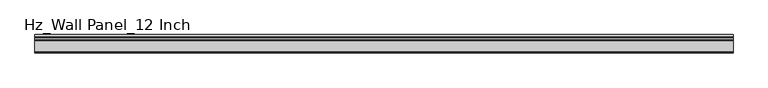
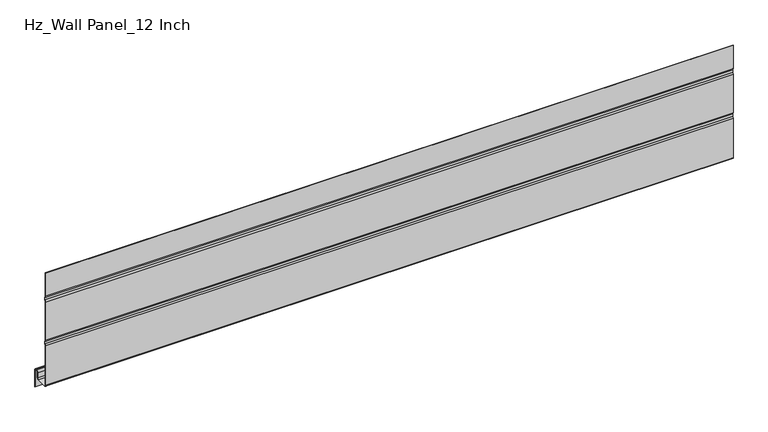
"""IFC4 building model written with IfcOpenShell, lengths in millimetres: plate geometry, Hz_Wall Panel_12 Inch."""

from ifc_helpers import new_model, si_unit, point, frame, frame_2d, origin, place, context, project, spatial, polyline, circle_curve, trimmed, segment, composite_curve, outline, extrude, source, transform, mapped, element, save


def hz_wall_panel_12_inch_7840027d(model_context):
    return source(origin(), model_context, "Body", "SweptSolid", [
        extrude(outline(composite_curve([segment(polyline([(-38.0, 201.4385501), (-38.0, 253.303125), (-37.2, 253.303125), (-37.2, 201.4385501)]), True, "CONTINUOUS"), segment(trimmed(circle_curve(frame_2d((-32.6854733, 201.4385501)), 4.5145267), [point((-37.2, 201.4385501))], [point((-35.70775, 198.084926))], True, "CARTESIAN"), True, "CONTINUOUS"), segment(polyline([(-35.70775, 198.084926), (-35.70775, 192.0925395)]), True, "CONTINUOUS"), segment(trimmed(circle_curve(frame_2d((-32.6854733, 188.7389154)), 4.5145267), [point((-35.70775, 192.0925395))], [point((-37.2, 188.7389154))], True, "CARTESIAN"), True, "CONTINUOUS"), segment(polyline([(-37.2, 188.7389154), (-37.2, 103.6314441)]), True, "CONTINUOUS"), segment(trimmed(circle_curve(frame_2d((-32.6854733, 103.6314441)), 4.5145267), [point((-37.2, 103.6314441))], [point((-35.70775, 100.27782))], True, "CARTESIAN"), True, "CONTINUOUS"), segment(polyline([(-35.70775, 100.27782), (-35.70775, 94.2854335)]), True, "CONTINUOUS"), segment(trimmed(circle_curve(frame_2d((-32.6854733, 90.9318094)), 4.5145267), [point((-35.70775, 94.2854335))], [point((-37.2, 90.9318094))], True, "CARTESIAN"), True, "CONTINUOUS"), segment(polyline([(-37.2, 90.9318094), (-37.2, 3.29311)]), True, "CONTINUOUS"), segment(trimmed(circle_curve(frame_2d((-34.70689, 3.29311)), 2.49311), [point((-37.2, 3.29311))], [point((-34.70689, 0.8))], True, "CARTESIAN"), True, "CONTINUOUS"), segment(polyline([(-34.70689, 0.8), (-12.42347, 0.8)]), True, "CONTINUOUS"), segment(trimmed(circle_curve(frame_2d((-12.42347, 3.175)), 2.375), [point((-12.42347, 0.8))], [point((-10.04847, 3.175))], True, "CARTESIAN"), True, "CONTINUOUS"), segment(polyline([(-10.04847, 3.175), (-10.04847, 14.707235)]), True, "CONTINUOUS"), segment(trimmed(circle_curve(frame_2d((-6.07347, 14.707235)), 3.975), [point((-10.04847, 14.707235))], [point((-6.07347, 18.682235))], False, "CARTESIAN"), True, "CONTINUOUS"), segment(polyline([(-6.07347, 18.682235), (-3.975, 18.682235)]), True, "CONTINUOUS"), segment(trimmed(circle_curve(frame_2d((-3.975, 14.707235)), 3.975), [point((-3.975, 18.682235))], [point((0.0, 14.707235))], False, "CARTESIAN"), True, "CONTINUOUS"), segment(polyline([(0.0, 14.707235), (0.0, -22.480905), (-0.8, -22.480905), (-0.8, 14.707235)]), True, "CONTINUOUS"), segment(trimmed(circle_curve(frame_2d((-3.975, 14.707235)), 3.175), [point((-0.8, 14.707235))], [point((-3.975, 17.882235))], True, "CARTESIAN"), True, "CONTINUOUS"), segment(polyline([(-3.975, 17.882235), (-6.07347, 17.882235)]), True, "CONTINUOUS"), segment(trimmed(circle_curve(frame_2d((-6.07347, 14.707235)), 3.175), [point((-6.07347, 17.882235))], [point((-9.24847, 14.707235))], True, "CARTESIAN"), True, "CONTINUOUS"), segment(polyline([(-9.24847, 14.707235), (-9.24847, 3.175)]), True, "CONTINUOUS"), segment(trimmed(circle_curve(frame_2d((-12.42347, 3.175)), 3.175), [point((-9.24847, 3.175))], [point((-12.42347, 0.0))], False, "CARTESIAN"), True, "CONTINUOUS"), segment(polyline([(-12.42347, 0.0), (-34.70689, 0.0)]), True, "CONTINUOUS"), segment(trimmed(circle_curve(frame_2d((-34.70689, 3.29311)), 3.29311), [point((-34.70689, 0.0))], [point((-38.0, 3.29311))], False, "CARTESIAN"), True, "CONTINUOUS"), segment(polyline([(-38.0, 3.29311), (-38.0, 90.9318094)]), True, "CONTINUOUS"), segment(trimmed(circle_curve(frame_2d((-32.6854733, 90.9318094)), 5.3145267), [point((-38.0, 90.9318094))], [point((-36.50775, 94.6242876))], False, "CARTESIAN"), True, "CONTINUOUS"), segment(polyline([(-36.50775, 94.6242876), (-36.50775, 99.938966)]), True, "CONTINUOUS"), segment(trimmed(circle_curve(frame_2d((-32.6854733, 103.6314441)), 5.3145267), [point((-36.50775, 99.938966))], [point((-38.0, 103.6314441))], False, "CARTESIAN"), True, "CONTINUOUS"), segment(polyline([(-38.0, 103.6314441), (-38.0, 188.7389154)]), True, "CONTINUOUS"), segment(trimmed(circle_curve(frame_2d((-32.6854733, 188.7389154)), 5.3145267), [point((-38.0, 188.7389154))], [point((-36.50775, 192.4313935))], False, "CARTESIAN"), True, "CONTINUOUS"), segment(polyline([(-36.50775, 192.4313935), (-36.50775, 197.746072)]), True, "CONTINUOUS"), segment(trimmed(circle_curve(frame_2d((-32.6854733, 201.4385501)), 5.3145267), [point((-36.50775, 197.746072))], [point((-38.0, 201.4385501))], False, "CARTESIAN"), True, "CONTINUOUS")], self_intersect=False)), frame((-723.9042608, 0.0, 0.0), z_axis=(1.0, 0.0, 0.0), x_axis=(0.0, 1.0, 0.0)), (0.0, 0.0, 1.0), 1447.8085217),
    ])


if __name__ == "__main__":
    model = new_model("IFC4")
    model_context = context("Model", 3, world=origin())
    ifc_project = project(units=[si_unit("LENGTHUNIT", "METRE", prefix="MILLI")], contexts=[model_context])
    site = spatial("IfcSite", under=ifc_project)
    building = spatial("IfcBuilding", under=site)
    placement = place(None, origin())
    hz_wall_panel_12_inch_shape = hz_wall_panel_12_inch_7840027d(model_context)
    element("IfcPlate", 1, ObjectType="Hz_Wall Panel_12 Inch", at=placement, inside=building, context=model_context, shape_type="MappedRepresentation", body=[
        mapped(hz_wall_panel_12_inch_shape, transform((0.0, 0.0, 0.0), x_axis=(1.0, 0.0, 0.0), y_axis=(0.0, 1.0, 0.0), z_axis=(0.0, 0.0, 1.0))),
    ])
    save(model, "model.ifc")
